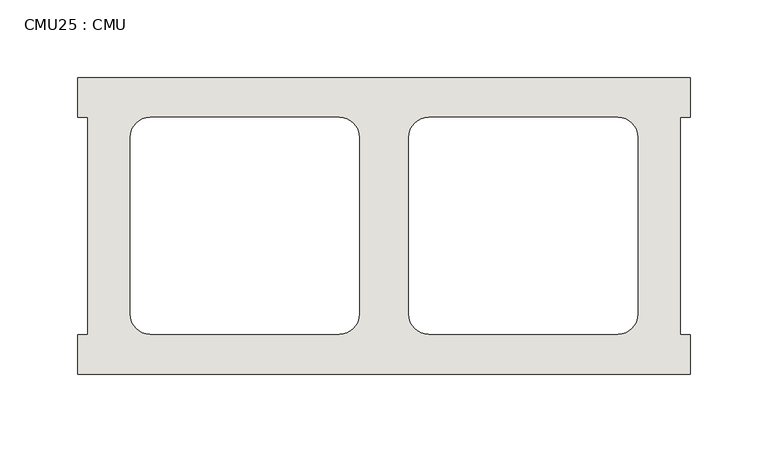
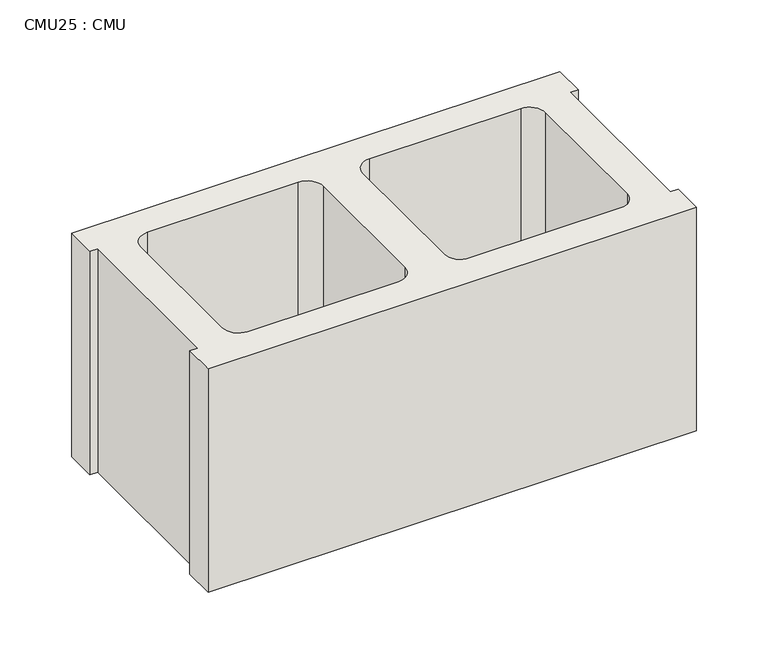
"""IFC4 building model written with IfcOpenShell, lengths in millimetres: wall geometry, CMU25 : CMU."""

from ifc_helpers import new_model, si_unit, point, frame, frame_2d, origin, place, context, project, spatial, polyline, circle_curve, trimmed, segment, composite_curve, outline, extrude, source, transform, mapped, element, save


def cmu25_cmu_9df4a6ed(model_context):
    return source(origin(), model_context, "Body", "SweptSolid", [
        extrude(outline(polyline([(977.6060968, 2871.3003704), (1371.3060968, 2871.3003704), (1371.3060968, 2845.9003704), (1364.9560968, 2845.9003704), (1364.9560968, 2706.2003704), (1371.3060968, 2706.2003704), (1371.3060968, 2680.8003704), (977.6060968, 2680.8003704), (977.6060968, 2706.2003704), (983.9560968, 2706.2003704), (983.9560968, 2845.9003704), (977.6060968, 2845.9003704), (977.6060968, 2871.3003704)]), holes=[composite_curve([segment(polyline([(1145.7740955, 2845.9003704), (1024.0574454, 2845.9003704)]), True, "CONTINUOUS"), segment(trimmed(circle_curve(frame_2d((1024.0574454, 2833.2003704)), 12.7), [point((1024.0574454, 2845.9003704))], [point((1011.3574454, 2833.2003704))], True, "CARTESIAN"), True, "CONTINUOUS"), segment(polyline([(1011.3574454, 2833.2003704), (1011.3574454, 2719.1345307)]), True, "CONTINUOUS"), segment(trimmed(circle_curve(frame_2d((1024.0574454, 2719.1345307)), 12.7), [point((1011.3574454, 2719.1345307))], [point((1024.0574454, 2706.4345307))], True, "CARTESIAN"), True, "CONTINUOUS"), segment(polyline([(1024.0574454, 2706.4345307), (1145.7740955, 2706.4345307)]), True, "CONTINUOUS"), segment(trimmed(circle_curve(frame_2d((1145.7740955, 2719.1345307)), 12.7), [point((1145.7740955, 2706.4345307))], [point((1158.4740955, 2719.1345307))], True, "CARTESIAN"), True, "CONTINUOUS"), segment(polyline([(1158.4740955, 2719.1345307), (1158.4740955, 2833.2003704)]), True, "CONTINUOUS"), segment(trimmed(circle_curve(frame_2d((1145.7740955, 2833.2003704)), 12.7), [point((1158.4740955, 2833.2003704))], [point((1145.7740955, 2845.9003704))], True, "CARTESIAN"), True, "CONTINUOUS")], self_intersect=False), composite_curve([segment(trimmed(circle_curve(frame_2d((1203.1380982, 2833.2003704)), 12.7), [point((1203.1380982, 2845.9003704))], [point((1190.4380982, 2833.2003704))], True, "CARTESIAN"), True, "CONTINUOUS"), segment(polyline([(1190.4380982, 2833.2003704), (1190.4380982, 2719.1345307)]), True, "CONTINUOUS"), segment(trimmed(circle_curve(frame_2d((1203.1380982, 2719.1345307)), 12.7), [point((1190.4380982, 2719.1345307))], [point((1203.1380982, 2706.4345307))], True, "CARTESIAN"), True, "CONTINUOUS"), segment(polyline([(1203.1380982, 2706.4345307), (1324.8547483, 2706.4345307)]), True, "CONTINUOUS"), segment(trimmed(circle_curve(frame_2d((1324.8547483, 2719.1345307)), 12.7), [point((1324.8547483, 2706.4345307))], [point((1337.5547483, 2719.1345307))], True, "CARTESIAN"), True, "CONTINUOUS"), segment(polyline([(1337.5547483, 2719.1345307), (1337.5547483, 2833.2003704)]), True, "CONTINUOUS"), segment(trimmed(circle_curve(frame_2d((1324.8547483, 2833.2003704)), 12.7), [point((1337.5547483, 2833.2003704))], [point((1324.8547483, 2845.9003704))], True, "CARTESIAN"), True, "CONTINUOUS"), segment(polyline([(1324.8547483, 2845.9003704), (1203.1380982, 2845.9003704)]), True, "CONTINUOUS")], self_intersect=False)]), frame((0.0, 0.0, 406.4), z_axis=(0.0, 0.0, 1.0), x_axis=(1.0, 0.0, 0.0)), (0.0, 0.0, 1.0), 190.5),
    ])


if __name__ == "__main__":
    model = new_model("IFC4")
    model_context = context("Model", 3, world=origin())
    ifc_project = project(units=[si_unit("LENGTHUNIT", "METRE", prefix="MILLI")], contexts=[model_context])
    site = spatial("IfcSite", under=ifc_project)
    building = spatial("IfcBuilding", under=site)
    placement = place(None, origin())
    cmu25_cmu_shape = cmu25_cmu_9df4a6ed(model_context)
    element("IfcWall", 1, ObjectType="CMU25 : CMU", at=placement, inside=building, context=model_context, shape_type="MappedRepresentation", body=[
        mapped(cmu25_cmu_shape, transform((0.0, 0.0, 0.0), x_axis=(1.0, 0.0, 0.0), y_axis=(0.0, 1.0, 0.0), z_axis=(0.0, 0.0, 1.0))),
    ])
    save(model, "model.ifc")
